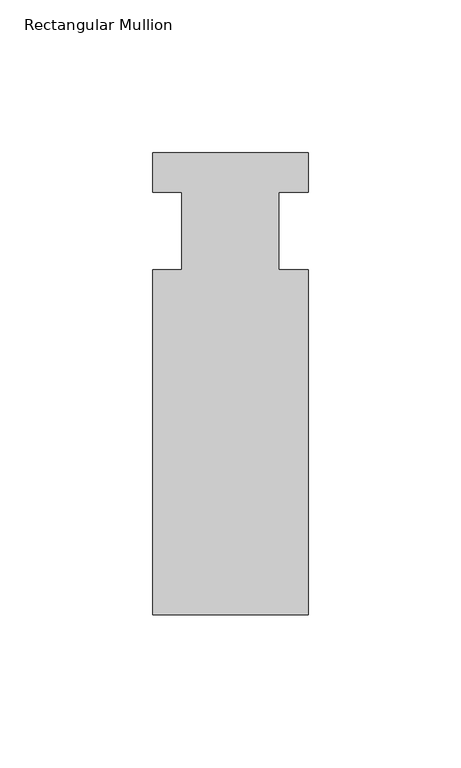
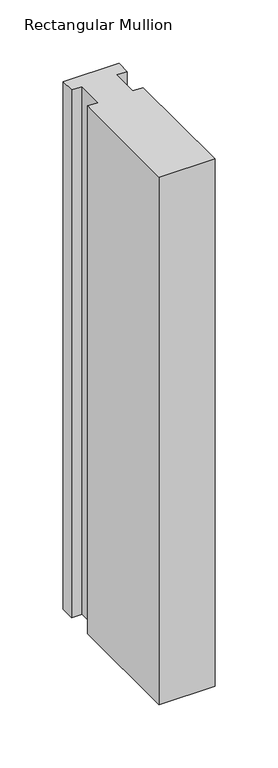
"""IFC4 building model written with IfcOpenShell, lengths in millimetres: member geometry, Rectangular Mullion."""

from ifc_helpers import new_model, si_unit, frame, origin, place, context, project, spatial, polyline, outline, extrude, source, transform, mapped, element, save


def rectangular_mullion_cfe74fc4(model_context):
    return source(origin(), model_context, "Body", "SweptSolid", [
        extrude(outline(polyline([(0.0, 25.5984375), (0.0, 12.7), (-9.525, 12.7), (-9.525, -12.7), (0.0, -12.7), (0.0, -125.6109375), (-50.8, -125.6109375), (-50.8, -12.7), (-41.275, -12.7), (-41.275, 12.7), (-50.8, 12.7), (-50.8, 25.5984375), (0.0, 25.5984375)])), frame((0.0, 0.0, -508.0), z_axis=(0.0, 0.0, 1.0), x_axis=(1.0, 0.0, 0.0)), (0.0, 0.0, 1.0), 508.0),
    ])


if __name__ == "__main__":
    model = new_model("IFC4")
    model_context = context("Model", 3, world=origin())
    ifc_project = project(units=[si_unit("LENGTHUNIT", "METRE", prefix="MILLI")], contexts=[model_context])
    site = spatial("IfcSite", under=ifc_project)
    building = spatial("IfcBuilding", under=site)
    placement = place(None, origin())
    rectangular_mullion_shape = rectangular_mullion_cfe74fc4(model_context)
    element("IfcMember", 1, ObjectType="Rectangular Mullion", at=placement, inside=building, context=model_context, shape_type="MappedRepresentation", body=[
        mapped(rectangular_mullion_shape, transform((0.0, 0.0, 0.0), x_axis=(1.0, 0.0, 0.0), y_axis=(0.0, 1.0, 0.0), z_axis=(0.0, 0.0, 1.0))),
    ])
    save(model, "model.ifc")
